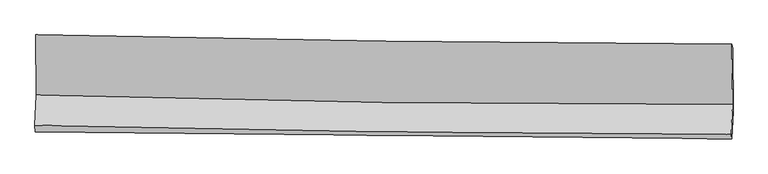
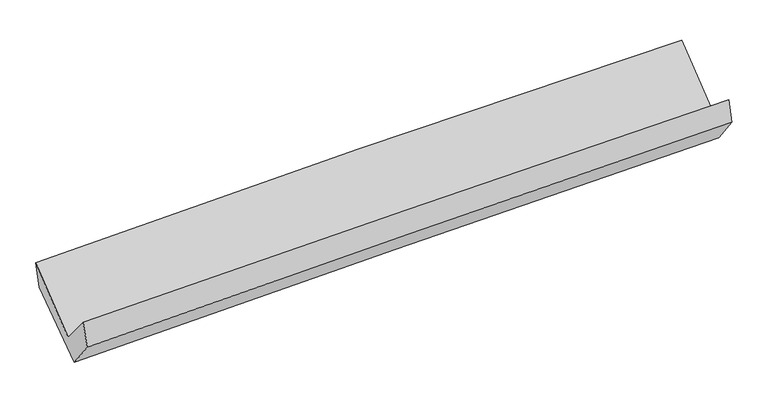
"""IFC4 building model written with IfcOpenShell, lengths in millimetres: proxy geometry."""

from ifc_helpers import new_model, si_unit, frame, origin, place, context, project, spatial, source, transform, mapped, element, save
from ifc_brep_helpers import plane_surface, spline_curve, spline_surface, advanced_brep


def generic_models_698acc82(model_context):
    return source(origin(), model_context, "Body", "AdvancedBrep", [
        advanced_brep(
        [(-3020.1967566, -1144.7906742, 2168.2347983), (-3015.1176204, -1665.2683247, 1739.3082362), (3007.1529032, -1747.8235814, 1892.3518248), (3001.8542687, -1227.0788115, 2317.3695554), (-3026.7936697, -1929.2102724, 2050.4990254), (2995.490493, -2008.6186238, 2204.7766101), (-3021.7851105, -1987.7549361, 1837.641151), (3000.6038639, -2047.9272718, 1999.7515223), (-3010.9875467, -1757.1417024, 1543.6394908), (3011.6890685, -1811.1372118, 1697.8751998), (-3015.0819557, -1197.3309114, 1954.2101407), (3007.325226, -1260.0685806, 2102.0222299)],
        [
            (0, 1),
            (1, 2, spline_curve(3, [(-3015.1176204, -1665.2683247, 1739.3082362), (-2012.105257614, -1696.054276438, 1783.047293227), (-1008.745578351, -1718.326864582, 1817.670436521), (998.677923146, -1745.845444979, 1868.685138946), (2002.741751648, -1751.091275495, 1885.076524776), (3007.1529032, -1747.8235814, 1892.3518248)], [4, 2, 4], [0.0, 9.883706673934762, 19.767506990786586])),
            (2, 3),
            (3, 0, spline_curve(3, [(3001.8542687, -1227.0788115, 2317.3695554), (1997.440259083, -1221.645719412, 2316.150712161), (993.393293377, -1212.071776407, 2303.113279231), (-1013.957041328, -1184.642319132, 2253.401469664), (-2017.260417309, -1166.786882841, 2216.727316978), (-3020.1967566, -1144.7906742, 2168.2347983)], [4, 2, 4], [0.0, 9.883800316851824, 19.767506990786586])),
            (1, 4),
            (4, 5, spline_curve(3, [(-3026.7936697, -1929.2102724, 2050.4990254), (-2023.634516433, -1955.236375138, 2091.037835897), (-1020.200304601, -1974.866788466, 2124.163680473), (987.227744218, -2001.336359926, 2175.589682743), (1991.221586965, -2008.175397512, 2193.889699476), (2995.490493, -2008.6186238, 2204.7766101)], [4, 2, 4], [0.0, 9.88382672199386, 19.76774708804217])),
            (5, 2),
            (4, 6),
            (6, 7, spline_curve(3, [(-3021.7851105, -1987.7549361, 1837.641151), (-2018.220392527, -1995.793172889, 1871.914686797), (-1014.574663405, -2004.826623865, 1902.560605378), (992.888326388, -2024.884050352, 1956.597464806), (1996.705588898, -2035.908044465, 1979.988336264), (3000.6038639, -2047.9272718, 1999.7515223)], [4, 2, 4], [0.0, 9.883369659171775, 19.766832958067575])),
            (7, 5),
            (6, 8),
            (8, 9, spline_curve(3, [(-3010.9875467, -1757.1417024, 1543.6394908), (-2007.278534571, -1762.092546822, 1573.97700315), (-1003.536688005, -1769.067564006, 1601.998685075), (1004.022183042, -1787.066028657, 1653.410632074), (2007.839208301, -1798.08951467, 1676.80085285), (3011.6890685, -1811.1372118, 1697.8751998)], [4, 2, 4], [0.0, 9.88335061617536, 19.76679487189432])),
            (9, 7),
            (8, 10),
            (10, 11, spline_curve(3, [(-3015.0819557, -1197.3309114, 1954.2101407), (-2011.395859676, -1206.741689353, 1981.274689987), (-1007.687924242, -1216.675190332, 2007.124586242), (999.781135853, -1237.587736535, 2056.395305764), (2003.542260855, -1248.566792233, 2079.816106071), (3007.325226, -1260.0685806, 2102.0222299)], [4, 2, 4], [0.0, 9.883047965007021, 19.766189566690183])),
            (11, 9),
            (10, 0),
            (3, 11),
        ],
        [
            spline_surface(3, 3, [[(-3020.1967566, -1144.7906742, 2168.2347983), (-2017.260417411, -1166.786882755, 2216.727316836), (-1013.957041378, -1184.642318995, 2253.401469623), (993.393293427, -1212.071776544, 2303.113279273), (1997.440259174, -1221.645719434, 2316.15071218), (3001.8542687, -1227.0788115, 2317.3695554)], [(-3018.503711219, -1318.283224371, 2025.25927758), (-2015.542030811, -1343.209347299, 2072.167308899), (-1012.219886989, -1362.537167578, 2108.157791948), (995.154836651, -1389.996332676, 2158.303899138), (1999.207423319, -1398.127571457, 2172.459316393), (3003.620480212, -1400.660401461, 2175.69697851)], [(-3016.810665781, -1491.775774529, 1882.28375692), (-2013.823644155, -1519.631811831, 1927.607301022), (-1010.482732646, -1540.4320161, 1962.914114273), (996.916379828, -1567.920888746, 2013.494519003), (2000.974587428, -1574.609423496, 2028.767920676), (3005.386691688, -1574.241991439, 2034.02440169)], [(-3015.1176204, -1665.2683247, 1739.3082362), (-2012.105257555, -1696.054276375, 1783.047293085), (-1008.745578257, -1718.326864683, 1817.670436598), (998.677923052, -1745.845444878, 1868.685138869), (2002.741751573, -1751.09127552, 1885.07652489), (3007.1529032, -1747.8235814, 1892.3518248)]], [4, 4], [4, 2, 4], [0.0, 2.259230622087929], [0.0, 9.883706673934762, 19.767506990786586]),
            spline_surface(3, 3, [[(-3015.1176204, -1665.2683247, 1739.3082362), (-2012.105257555, -1696.054276375, 1783.047293085), (-1008.745578257, -1718.326864683, 1817.670436598), (998.677923052, -1745.845444878, 1868.685138869), (2002.741751573, -1751.09127552, 1885.07652489), (3007.1529032, -1747.8235814, 1892.3518248)], [(-3019.009636809, -1753.24897393, 1843.038499294), (-2015.948343774, -1782.448309341, 1885.710807344), (-1012.563820408, -1803.840172552, 1919.834851257), (994.861196805, -1831.009083232, 1970.986653444), (1998.901696703, -1836.78598283, 1988.014249737), (3003.26543313, -1834.755262211, 1996.493419911)], [(-3022.901653291, -1841.22962317, 1946.768762306), (-2019.791430065, -1868.842342316, 1988.374321522), (-1016.38206255, -1889.353480503, 2021.99926594), (991.044470565, -1916.172721667, 2073.288168043), (1995.061641843, -1922.480690108, 2090.951974552), (2999.37796307, -1921.686942989, 2100.635014989)], [(-3026.7936697, -1929.2102724, 2050.4990254), (-2023.634516285, -1955.236375282, 2091.037835782), (-1020.200304701, -1974.866788372, 2124.163680598), (987.227744317, -2001.33636002, 2175.589682618), (1991.221586973, -2008.175397419, 2193.8896994), (2995.490493, -2008.6186238, 2204.7766101)]], [4, 4], [4, 2, 4], [0.0, 1.3112662296408653], [0.0, 9.88382672199386, 19.76774708804217]),
            spline_surface(3, 3, [[(-3026.7936697, -1929.2102724, 2050.4990254), (-2023.634516285, -1955.236375282, 2091.037835782), (-1020.200304701, -1974.866788372, 2124.163680598), (987.227744317, -2001.33636002, 2175.589682618), (1991.221586973, -2008.175397419, 2193.8896994), (2995.490493, -2008.6186238, 2204.7766101)], [(-3025.124149986, -1948.725160277, 1979.546400594), (-2021.829808374, -1968.755307751, 2017.996786116), (-1018.325090962, -1984.853400231, 2050.295988902), (989.114605028, -2009.185590129, 2102.59227664), (1993.049587602, -2017.419613072, 2122.589245081), (2997.194949952, -2021.721506478, 2136.434914179)], [(-3023.454630214, -1968.240048223, 1908.593775806), (-2020.025100405, -1982.27424029, 1944.955736468), (-1016.449877214, -1994.84001205, 1976.428297201), (991.001465747, -2017.034820198, 2029.594870657), (1994.877588274, -2026.663828691, 2051.288790726), (2998.899406948, -2034.824389122, 2068.093218221)], [(-3021.7851105, -1987.7549361, 1837.641151), (-2018.220392494, -1995.793172759, 1871.914686803), (-1014.574663475, -2004.826623909, 1902.560605505), (992.888326458, -2024.884050307, 1956.597464679), (1996.705588903, -2035.908044344, 1979.988336408), (3000.6038639, -2047.9272718, 1999.7515223)]], [4, 4], [4, 2, 4], [0.0, 0.7283069564295213], [0.0, 9.883369659171775, 19.766832958067575]),
            spline_surface(3, 3, [[(-3021.7851105, -1987.7549361, 1837.641151), (-2018.220392494, -1995.793172759, 1871.914686803), (-1014.574663475, -2004.826623909, 1902.560605505), (992.888326458, -2024.884050307, 1956.597464679), (1996.705588903, -2035.908044344, 1979.988336408), (3000.6038639, -2047.9272718, 1999.7515223)], [(-3018.185922545, -1910.883858214, 1739.640597598), (-2014.573106456, -1917.892964132, 1772.602125571), (-1010.895338337, -1926.240270591, 1802.373298704), (996.599611985, -1945.611376453, 1855.535187116), (2000.416795415, -1956.635201144, 1878.925841937), (3004.29893211, -1968.997251803, 1899.126081468)], [(-3014.586734655, -1834.012780286, 1641.640044202), (-2010.925820485, -1839.992755465, 1673.289564346), (-1007.21601317, -1847.653917254, 1702.185991932), (1000.310897541, -1866.33870258, 1754.472909582), (2004.128001896, -1877.362357936, 1777.863347463), (3007.99400029, -1890.067231797, 1798.500640632)], [(-3010.9875467, -1757.1417024, 1543.6394908), (-2007.278534447, -1762.092546838, 1573.977003114), (-1003.536688032, -1769.067563936, 1601.998685131), (1004.022183069, -1787.066028726, 1653.410632018), (2007.839208408, -1798.089514736, 1676.800852992), (3011.6890685, -1811.1372118, 1697.8751998)]], [4, 4], [4, 2, 4], [0.0, 1.2592608134551537], [0.0, 9.88335061617536, 19.76679487189432]),
            spline_surface(3, 3, [[(-3010.9875467, -1757.1417024, 1543.6394908), (-2007.278534447, -1762.092546838, 1573.977003114), (-1003.536688032, -1769.067563936, 1601.998685131), (1004.022183069, -1787.066028726, 1653.410632018), (2007.839208408, -1798.089514736, 1676.800852992), (3011.6890685, -1811.1372118, 1697.8751998)], [(-3012.352349701, -1570.53810541, 1680.496374087), (-2008.650976239, -1576.97559435, 1709.742898762), (-1004.92043343, -1584.936772689, 1737.040652182), (1002.608500686, -1603.90659804, 1787.73885658), (2006.406892577, -1614.915273887, 1811.139270615), (3010.234454337, -1627.447668044, 1832.590876483)], [(-3013.717152699, -1383.93450839, 1817.353257413), (-2010.023418029, -1391.858641831, 1845.508794449), (-1006.304178869, -1400.805981444, 1872.082619243), (1001.194818262, -1420.747167357, 1922.067081151), (2004.974576735, -1431.741033107, 1945.477688289), (3008.779840163, -1443.758124356, 1967.306553217)], [(-3015.0819557, -1197.3309114, 1954.2101407), (-2011.395859821, -1206.741689342, 1981.274690097), (-1007.687924268, -1216.675190196, 2007.124586294), (999.781135879, -1237.587736671, 2056.395305712), (2003.542260904, -1248.566792258, 2079.816105912), (3007.325226, -1260.0685806, 2102.0222299)]], [4, 4], [4, 2, 4], [0.0, 2.241579688412226], [0.0, 9.883047965007021, 19.766189566690183]),
            spline_surface(3, 3, [[(-3015.0819557, -1197.3309114, 1954.2101407), (-2011.395859821, -1206.741689342, 1981.274690097), (-1007.687924268, -1216.675190196, 2007.124586294), (999.781135879, -1237.587736671, 2056.395305712), (2003.542260904, -1248.566792258, 2079.816105912), (3007.325226, -1260.0685806, 2102.0222299)], [(-3016.786889341, -1179.817498998, 2025.551693247), (-2013.350712358, -1193.423420478, 2059.758899024), (-1009.777629985, -1205.997566451, 2089.216880756), (997.651855048, -1229.082416616, 2138.634630251), (2001.50826032, -1239.59310132, 2158.594308017), (3005.501573559, -1249.071990903, 2173.804671749)], [(-3018.491822959, -1162.304086602, 2096.893245753), (-2015.305564874, -1180.10515162, 2138.243107909), (-1011.867335661, -1195.319942741, 2171.309175161), (995.522574258, -1220.577096598, 2220.873954733), (1999.474259759, -1230.619410372, 2237.372510075), (3003.677921141, -1238.075401197, 2245.587113551)], [(-3020.1967566, -1144.7906742, 2168.2347983), (-2017.260417411, -1166.786882755, 2216.727316836), (-1013.957041378, -1184.642318995, 2253.401469623), (993.393293427, -1212.071776544, 2303.113279273), (1997.440259174, -1221.645719434, 2316.15071218), (3001.8542687, -1227.0788115, 2317.3695554)]], [4, 4], [4, 2, 4], [0.0, 0.8144746867871364], [0.0, 9.882914810792363, 19.7659232569993]),
            plane_surface(frame((3004.0193039, -1683.7756802, 2035.6911571), z_axis=(0.9995560707793455, -0.012063639636307872, 0.02724206245646086), x_axis=(-0.006385522566870428, 0.8063675968590566, 0.5913801855298317))),
            plane_surface(frame((-3018.3271099, -1613.5828036, 1882.2554737), z_axis=(-0.9995594066662588, 0.012450332643661058, -0.026944048731755123), x_axis=(0.023202833398464434, -0.23834405076593343, -0.9709035698702366))),
        ],
        [
            (0, [[1, 2, 3, 4]]),
            (1, [[5, 6, 7, -2]]),
            (2, [[8, 9, 10, -6]]),
            (3, [[11, 12, 13, -9]]),
            (4, [[14, 15, 16, -12]]),
            (5, [[17, -4, 18, -15]]),
            (6, [[-16, -18, -3, -7, -10, -13]]),
            (7, [[-17, -14, -11, -8, -5, -1]]),
        ],
    ),
    ])


if __name__ == "__main__":
    model = new_model("IFC4")
    model_context = context("Model", 3, world=origin())
    ifc_project = project(units=[si_unit("LENGTHUNIT", "METRE", prefix="MILLI")], contexts=[model_context])
    site = spatial("IfcSite", under=ifc_project)
    building = spatial("IfcBuilding", under=site)
    placement = place(None, origin())
    generic_models_shape = generic_models_698acc82(model_context)
    element("IfcBuildingElementProxy", 1, Name="Generic Models", at=placement, inside=building, context=model_context, shape_type="MappedRepresentation", body=[
        mapped(generic_models_shape, transform((0.0, 0.0, 0.0), x_axis=(1.0, 0.0, 0.0), y_axis=(0.0, 1.0, 0.0), z_axis=(0.0, 0.0, 1.0))),
    ])
    save(model, "model.ifc")
